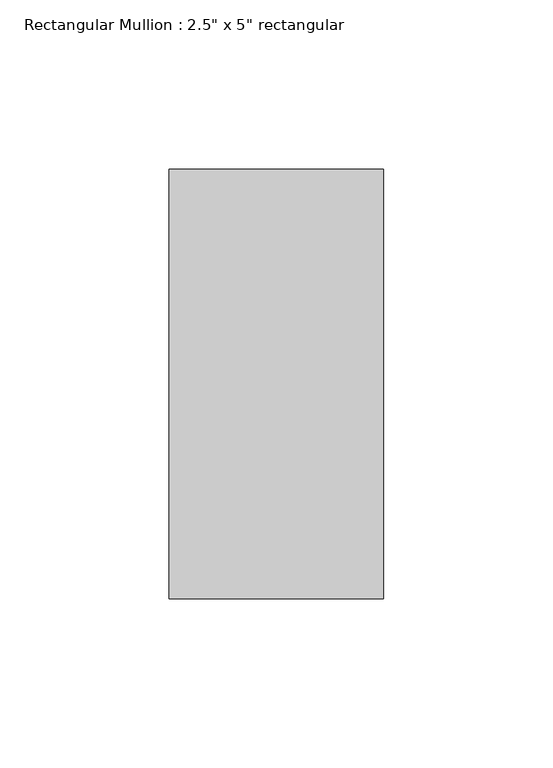
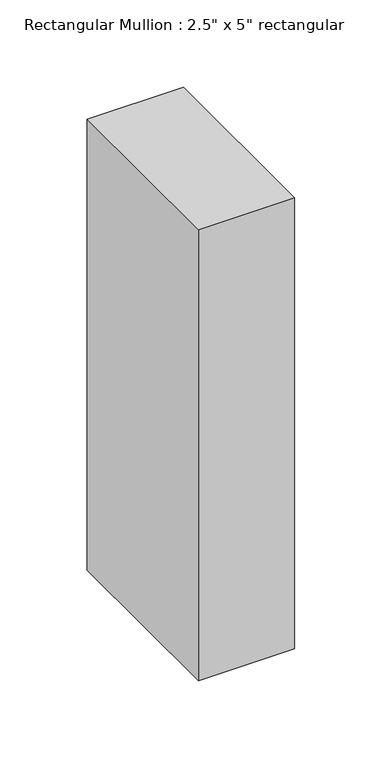
"""IFC4 building model written with IfcOpenShell, lengths in millimetres: member geometry."""

from ifc_helpers import new_model, si_unit, frame, origin, place, context, project, spatial, polyline, outline, extrude, source, transform, mapped, element, save


def member_6124987e(model_context):
    return source(origin(), model_context, "Body", "SweptSolid", [
        extrude(outline(polyline([(0.0, 63.5), (0.0, -63.5), (-63.5, -63.5), (-63.5, 63.5), (0.0, 63.5)])), frame((0.0, 0.0, -314.75), z_axis=(0.0, 0.0, 1.0), x_axis=(1.0, 0.0, 0.0)), (0.0, 0.0, 1.0), 314.75),
    ])


if __name__ == "__main__":
    model = new_model("IFC4")
    model_context = context("Model", 3, world=origin())
    ifc_project = project(units=[si_unit("LENGTHUNIT", "METRE", prefix="MILLI")], contexts=[model_context])
    site = spatial("IfcSite", under=ifc_project)
    building = spatial("IfcBuilding", under=site)
    placement = place(None, origin())
    member_shape = member_6124987e(model_context)
    element("IfcMember", 1, ObjectType="Rectangular Mullion : 2.5\" x 5\" rectangular", at=placement, inside=building, context=model_context, shape_type="MappedRepresentation", body=[
        mapped(member_shape, transform((0.0, 0.0, 0.0), x_axis=(1.0, 0.0, 0.0), y_axis=(0.0, 1.0, 0.0), z_axis=(0.0, 0.0, 1.0))),
    ])
    save(model, "model.ifc")
